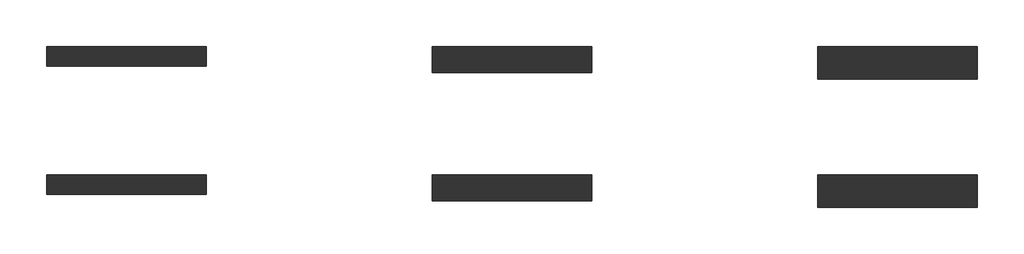
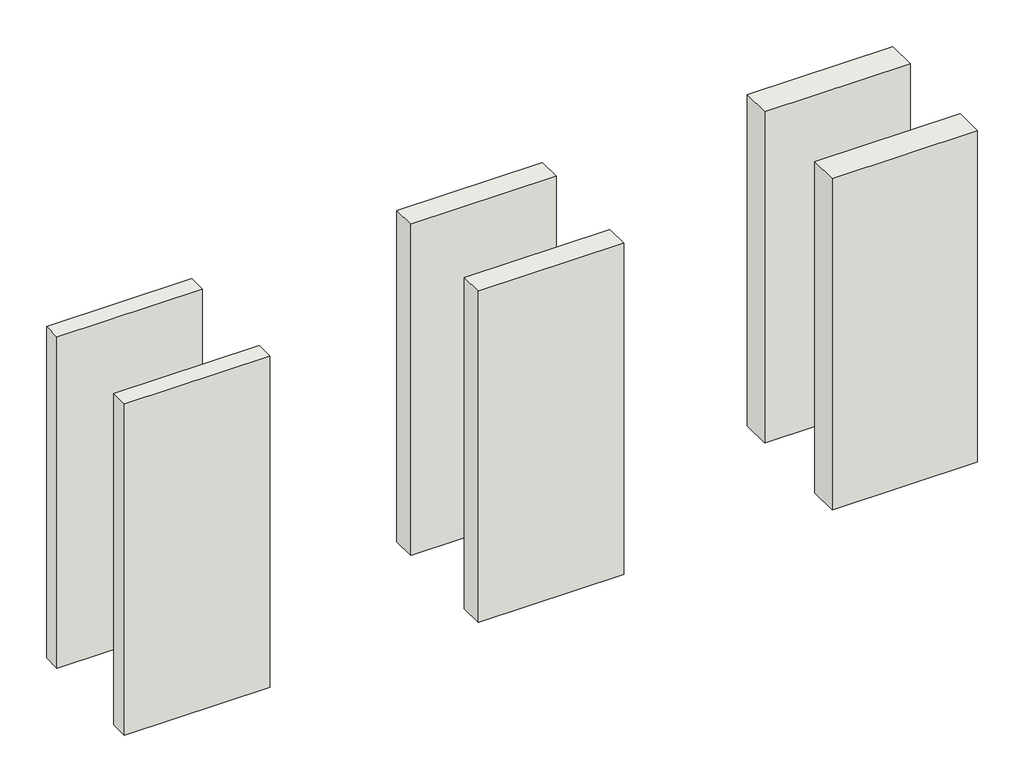
# One storey: 6 walls.
"""IFC4 building model written with IfcOpenShell, lengths in millimetres."""

from ifc_helpers import new_model, si_unit, origin, origin_with_axes, place, context, project, spatial, polyline, outline, extrude, element, save

model = new_model("IFC4")

# Units and contexts
model_context = context("Model", 3, world=origin())
ifc_project = project(units=[si_unit("LENGTHUNIT", "METRE", prefix="MILLI")], contexts=[model_context])

# Site, building, storey
site = spatial("IfcSite", under=ifc_project)
building = spatial("IfcBuilding", under=site)
storey = spatial("IfcBuildingStorey", under=building, Elevation=0.0)

# Walls
placement = place(None, origin())
element("IfcWall", 1, at=placement, inside=storey, context=model_context, shape_type="SweptSolid", body=[
    extrude(outline(polyline([(-9315.7236634, 13441.7035262), (-10560.2640717, 13441.7035262), (-10560.2640717, 13596.7035262), (-9315.7236634, 13596.7035262), (-9315.7236634, 13441.7035262)])), origin_with_axes(), (0.0, 0.0, 1.0), 3000.0),
])
element("IfcWall", 2, at=placement, inside=storey, context=model_context, shape_type="SweptSolid", body=[
    extrude(outline(polyline([(-9315.7236634, 12441.7035262), (-10560.2640717, 12441.7035262), (-10560.2640717, 12596.7035262), (-9315.7236634, 12596.7035262), (-9315.7236634, 12441.7035262)])), origin_with_axes(), (0.0, 0.0, 1.0), 3000.0),
])
element("IfcWall", 3, at=placement, inside=storey, context=model_context, shape_type="SweptSolid", body=[
    extrude(outline(polyline([(-6315.7236634, 13391.7035262), (-7560.2640717, 13391.7035262), (-7560.2640717, 13596.7035262), (-6315.7236634, 13596.7035262), (-6315.7236634, 13391.7035262)])), origin_with_axes(), (0.0, 0.0, 1.0), 3000.0),
])
element("IfcWall", 4, at=placement, inside=storey, context=model_context, shape_type="SweptSolid", body=[
    extrude(outline(polyline([(-6315.7236634, 12391.7035262), (-7560.2640717, 12391.7035262), (-7560.2640717, 12596.7035262), (-6315.7236634, 12596.7035262), (-6315.7236634, 12391.7035262)])), origin_with_axes(), (0.0, 0.0, 1.0), 3000.0),
])
element("IfcWall", 5, at=placement, inside=storey, context=model_context, shape_type="SweptSolid", body=[
    extrude(outline(polyline([(-3315.7236634, 13341.7035262), (-4560.2640717, 13341.7035262), (-4560.2640717, 13596.7035262), (-3315.7236634, 13596.7035262), (-3315.7236634, 13341.7035262)])), origin_with_axes(), (0.0, 0.0, 1.0), 3000.0),
])
element("IfcWall", 6, at=placement, inside=storey, context=model_context, shape_type="SweptSolid", body=[
    extrude(outline(polyline([(-3315.7236634, 12341.7035262), (-4560.2640717, 12341.7035262), (-4560.2640717, 12596.7035262), (-3315.7236634, 12596.7035262), (-3315.7236634, 12341.7035262)])), origin_with_axes(), (0.0, 0.0, 1.0), 3000.0),
])

save(model, "model.ifc")
